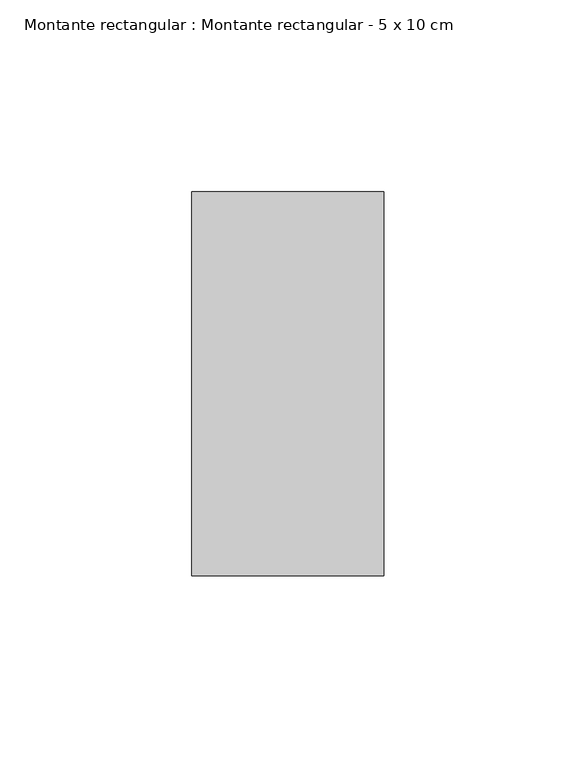
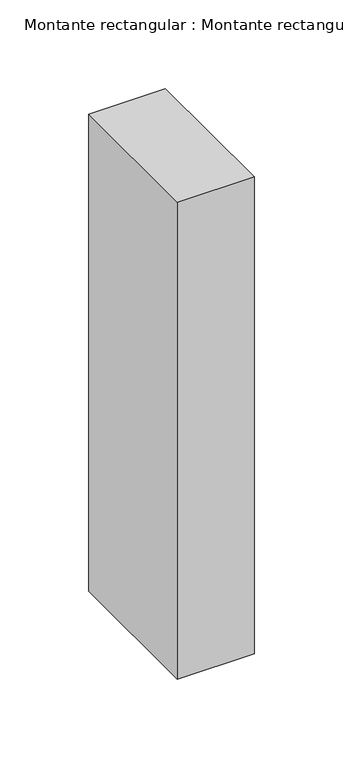
"""IFC4 building model written with IfcOpenShell, lengths in millimetres: member geometry, Montante rectangular : Montante rectangular - 5 x 10 cm."""

from ifc_helpers import new_model, si_unit, frame, origin, place, context, project, spatial, polyline, outline, extrude, source, transform, mapped, element, save


def montante_rectangular_montante_rectangular_5_x_10_cm_fc896988(model_context):
    return source(origin(), model_context, "Body", "SweptSolid", [
        extrude(outline(polyline([(-50.0, 50.0), (0.0, 50.0), (0.0, -50.0), (-50.0, -50.0), (-50.0, 50.0)])), frame((0.0, 0.0, -328.3333333), z_axis=(0.0, 0.0, 1.0), x_axis=(1.0, 0.0, 0.0)), (0.0, 0.0, 1.0), 328.3333333),
    ])


if __name__ == "__main__":
    model = new_model("IFC4")
    model_context = context("Model", 3, world=origin())
    ifc_project = project(units=[si_unit("LENGTHUNIT", "METRE", prefix="MILLI")], contexts=[model_context])
    site = spatial("IfcSite", under=ifc_project)
    building = spatial("IfcBuilding", under=site)
    placement = place(None, origin())
    montante_rectangular_montante_rectangular_5_x_10_cm_shape = montante_rectangular_montante_rectangular_5_x_10_cm_fc896988(model_context)
    element("IfcMember", 1, ObjectType="Montante rectangular : Montante rectangular - 5 x 10 cm", at=placement, inside=building, context=model_context, shape_type="MappedRepresentation", body=[
        mapped(montante_rectangular_montante_rectangular_5_x_10_cm_shape, transform((0.0, 0.0, 0.0), x_axis=(1.0, 0.0, 0.0), y_axis=(0.0, 1.0, 0.0), z_axis=(0.0, 0.0, 1.0))),
    ])
    save(model, "model.ifc")
